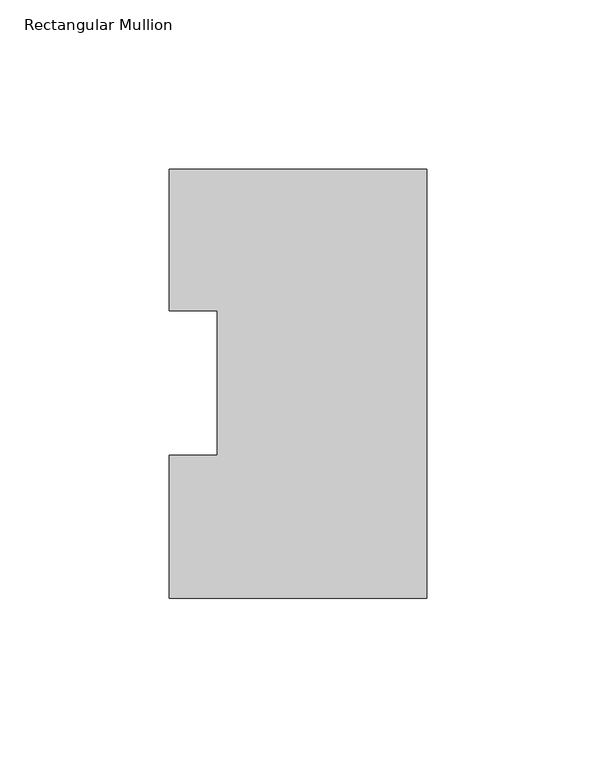
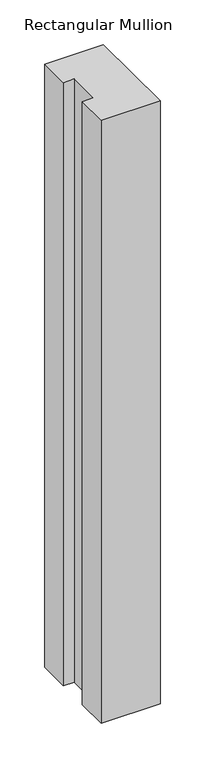
"""IFC4 building model written with IfcOpenShell, lengths in millimetres: member geometry, Rectangular Mullion."""

from ifc_helpers import new_model, si_unit, frame, origin, place, context, project, spatial, polyline, outline, extrude, source, transform, mapped, element, save


def rectangular_mullion_e1bcd340(model_context):
    return source(origin(), model_context, "Body", "SweptSolid", [
        extrude(outline(polyline([(0.0, 126.9888875), (0.0, -0.0111125), (-76.1989149, -0.0111125), (-76.1989149, 42.2798875), (-61.9139549, 42.2798875), (-61.9139549, 85.1296875), (-76.1989149, 85.1296875), (-76.1989149, 126.9888875), (0.0, 126.9888875)])), frame((0.0, 0.0, -825.2591858), z_axis=(0.0, 0.0, 1.0), x_axis=(1.0, 0.0, 0.0)), (0.0, 0.0, 1.0), 825.2591858),
    ])


if __name__ == "__main__":
    model = new_model("IFC4")
    model_context = context("Model", 3, world=origin())
    ifc_project = project(units=[si_unit("LENGTHUNIT", "METRE", prefix="MILLI")], contexts=[model_context])
    site = spatial("IfcSite", under=ifc_project)
    building = spatial("IfcBuilding", under=site)
    placement = place(None, origin())
    rectangular_mullion_shape = rectangular_mullion_e1bcd340(model_context)
    element("IfcMember", 1, ObjectType="Rectangular Mullion", at=placement, inside=building, context=model_context, shape_type="MappedRepresentation", body=[
        mapped(rectangular_mullion_shape, transform((0.0, 0.0, 0.0), x_axis=(1.0, 0.0, 0.0), y_axis=(0.0, 1.0, 0.0), z_axis=(0.0, 0.0, 1.0))),
    ])
    save(model, "model.ifc")
